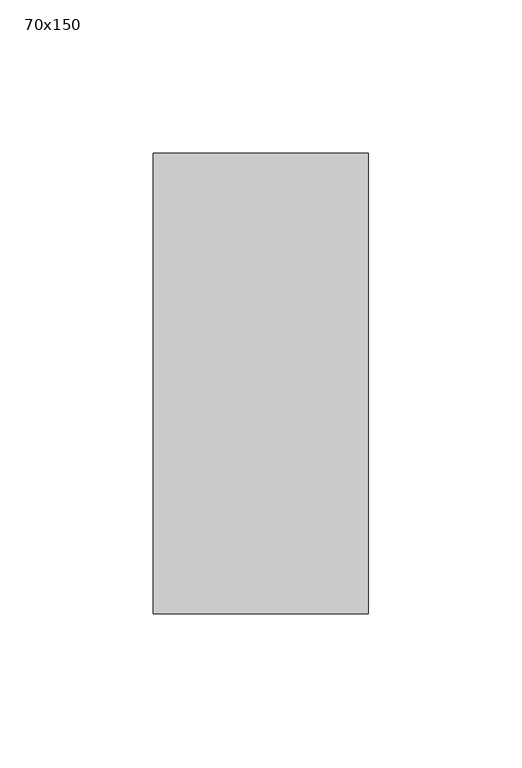
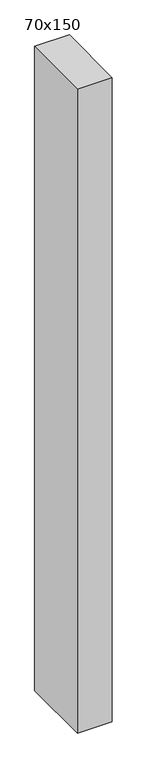
"""IFC4 building model written with IfcOpenShell, lengths in millimetres: member geometry, 70x150."""

import ifcopenshell
import ifcopenshell.guid

model = None  # the IFC model being written
_history = None  # IfcOwnerHistory: only IFC2X3 demands one
_inside = {}  # id of a spatial element -> (the spatial element, [elements in it])
_under = {}  # id of a project, library or spatial element -> (it, [spatial elements below it])
_declared = {}  # id of a project -> (the project, [libraries it declares])
_typed = {}  # id of a type object -> (the type object, [elements of that type])
_made_of = {}  # id of a material, layer set ... -> (it, [elements and type objects made of it])


def new_model(schema):
    """Start an empty IFC model of exactly this schema.

    Asked for "IFC4X3", IfcOpenShell would pick the latest addendum, in which some entities
    have other attributes; the version numbers below select the first issue.
    IFC2X3 requires an IfcOwnerHistory on every rooted entity: one is made here for all.
    """
    global model, _history
    if schema == "IFC4X3":
        model = ifcopenshell.file(schema_version=(4, 3, 0, 0))
    else:
        model = ifcopenshell.file(schema=schema)
    _inside.clear()
    _under.clear()
    _declared.clear()
    _typed.clear()
    _made_of.clear()
    _history = None
    if model.schema == "IFC2X3":
        org = make("IfcOrganization", Name="unknown")
        user = make(
            "IfcPersonAndOrganization",
            ThePerson=make("IfcPerson", FamilyName="unknown"),
            TheOrganization=org,
        )
        app = make(
            "IfcApplication",
            ApplicationDeveloper=org,
            Version="unknown",
            ApplicationFullName="unknown",
            ApplicationIdentifier="unknown",
        )
        _history = make(
            "IfcOwnerHistory",
            OwningUser=user,
            OwningApplication=app,
            ChangeAction="ADDED",
            CreationDate=0,
        )
    return model


def make(cls, **values):
    """One entity of the class cls with the attributes given. An attribute that is None is left unset."""
    return model.create_entity(
        cls, **{name: value for name, value in values.items() if value is not None}
    )


def rooted(cls, **values):
    """An entity with a GlobalId (a new one), such as an element, a storey or a relation."""
    return make(cls, GlobalId=ifcopenshell.guid.new(), OwnerHistory=_history, **values)


def si_unit(unit_type, name, prefix=None):
    """IfcSIUnit, for example si_unit("LENGTHUNIT", "METRE", prefix="MILLI")."""
    return make("IfcSIUnit", UnitType=unit_type, Prefix=prefix, Name=name)


def assignment(units):
    """IfcUnitAssignment: the units of a project."""
    return None if units is None else make("IfcUnitAssignment", Units=units)


def point(xyz):
    """IfcCartesianPoint."""
    return None if xyz is None else make("IfcCartesianPoint", Coordinates=xyz)


def direction(xyz):
    """IfcDirection."""
    return None if xyz is None else make("IfcDirection", DirectionRatios=xyz)


def frame(location, z_axis=None, x_axis=None):
    """IfcAxis2Placement3D, a coordinate frame: its origin and axes. An axis left out is left unset."""
    return make(
        "IfcAxis2Placement3D",
        Location=point(location),
        Axis=direction(z_axis),
        RefDirection=direction(x_axis),
    )


def origin():
    """The frame at (0, 0, 0) with its axes left unset."""
    return frame((0.0, 0.0, 0.0))


def place(relative_to, where):
    """IfcLocalPlacement: puts the frame where relative to a parent placement (None: the world)."""
    return make(
        "IfcLocalPlacement", PlacementRelTo=relative_to, RelativePlacement=where
    )


def context(
    kind, dimensions, precision=None, world=None, true_north=None, identifier=None
):
    """IfcGeometricRepresentationContext, for example the 3D "Model" context."""
    return make(
        "IfcGeometricRepresentationContext",
        ContextIdentifier=identifier,
        ContextType=kind,
        CoordinateSpaceDimension=dimensions,
        Precision=precision,
        WorldCoordinateSystem=world,
        TrueNorth=true_north,
    )


def project(units=None, contexts=None):
    """IfcProject with its units and contexts."""
    return rooted(
        "IfcProject",
        Name="project",
        RepresentationContexts=contexts,
        UnitsInContext=assignment(units),
    )


def spatial(cls, under=None, at=None, **own):
    """A site, building, storey or space (cls), placed at a placement, below another one or the project."""
    s = rooted(cls, ObjectPlacement=at, **own)
    if under is not None:
        _under.setdefault(under.id(), (under, []))[1].append(s)
    return s


def polyline(points):
    """IfcPolyline through the points."""
    return make("IfcPolyline", Points=[point(p) for p in points])


def outline(outer, holes=None, kind="AREA"):
    """IfcArbitraryClosedProfileDef: a profile drawn as a closed curve; with holes, ...WithVoids."""
    if holes is None:
        return make("IfcArbitraryClosedProfileDef", ProfileType=kind, OuterCurve=outer)
    return make(
        "IfcArbitraryProfileDefWithVoids",
        ProfileType=kind,
        OuterCurve=outer,
        InnerCurves=holes,
    )


def extrude(swept, where, along, depth):
    """IfcExtrudedAreaSolid: the profile swept, set in the frame where, extruded along a direction by depth."""
    return make(
        "IfcExtrudedAreaSolid",
        SweptArea=swept,
        Position=where,
        ExtrudedDirection=direction(along),
        Depth=depth,
    )


def shape(context_of_items, identifier, shape_type, items):
    """IfcShapeRepresentation: the items that make up one representation, for example the "Body"."""
    return make(
        "IfcShapeRepresentation",
        ContextOfItems=context_of_items,
        RepresentationIdentifier=identifier,
        RepresentationType=shape_type,
        Items=items,
    )


def source(mapping_origin, context_of_items, identifier, shape_type, items):
    """IfcRepresentationMap: a shape defined once, which mapped items show again and again."""
    return make(
        "IfcRepresentationMap",
        MappingOrigin=mapping_origin,
        MappedRepresentation=shape(context_of_items, identifier, shape_type, items),
    )


def transform(
    local_origin,
    x_axis=None,
    y_axis=None,
    z_axis=None,
    scale=None,
    scale2=None,
    scale3=None,
    uniform=True,
):
    """IfcCartesianTransformationOperator3D, or its non-uniform kind. x_axis, y_axis, z_axis: its Axis1, 2, 3."""
    if uniform:
        return make(
            "IfcCartesianTransformationOperator3D",
            Axis1=direction(x_axis),
            Axis2=direction(y_axis),
            LocalOrigin=point(local_origin),
            Scale=scale,
            Axis3=direction(z_axis),
        )
    return make(
        "IfcCartesianTransformationOperator3DnonUniform",
        Axis1=direction(x_axis),
        Axis2=direction(y_axis),
        LocalOrigin=point(local_origin),
        Scale=scale,
        Axis3=direction(z_axis),
        Scale2=scale2,
        Scale3=scale3,
    )


def mapped(mapping_source, mapping_target):
    """IfcMappedItem: shows the shape of a source again, moved by a transform."""
    return make(
        "IfcMappedItem", MappingSource=mapping_source, MappingTarget=mapping_target
    )


def made_of(thing, what):
    """Note that an element or type object is made of a material, layer set ...; save() writes the relation."""
    if what is not None:
        _made_of.setdefault(what.id(), (what, []))[1].append(thing)
    return thing


def element(
    cls,
    number,
    at=None,
    inside=None,
    cuts=None,
    type_object=None,
    material=None,
    context=None,
    identifier="Body",
    shape_type=None,
    held_by="IfcProductDefinitionShape",
    body=None,
    shapes=None,
    **own,
):
    """One element of the class cls, such as IfcWall. Its Tag is "e" and its number.

    at: its placement. inside: the storey or other place that contains it. cuts: it is an
    opening in that element (IfcRelVoidsElement). A single representation is given by context,
    identifier, shape_type and body (its items); several are given by shapes. held_by: the class
    of the entity that holds the representations. save() writes the other relations.
    """
    e = rooted(cls, Tag="e%d" % number, ObjectPlacement=at, **own)
    if body is not None:
        shapes = [shape(context, identifier, shape_type, body)]
    if shapes is not None:
        e.Representation = make(held_by, Representations=shapes)
    if inside is not None:
        _inside.setdefault(inside.id(), (inside, []))[1].append(e)
    if cuts is not None:
        rooted(
            "IfcRelVoidsElement", RelatingBuildingElement=cuts, RelatedOpeningElement=e
        )
    if type_object is not None:
        _typed.setdefault(type_object.id(), (type_object, []))[1].append(e)
    return made_of(e, material)


def aggregate(whole, parts):
    """IfcRelAggregates: a whole, such as a stair, and the parts it consists of."""
    return rooted("IfcRelAggregates", RelatingObject=whole, RelatedObjects=parts)


def save(model, path):
    """Write the relations noted so far, then the file.

    IfcRelAggregates (storeys below a building ...), IfcRelContainedInSpatialStructure (elements
    in a storey), IfcRelDefinesByType, IfcRelAssociatesMaterial and IfcRelDeclares: one each for
    every whole, place, type object, material and project.
    """
    for whole, parts in _under.values():
        aggregate(whole, parts)
    for where, things in _inside.values():
        rooted(
            "IfcRelContainedInSpatialStructure",
            RelatedElements=things,
            RelatingStructure=where,
        )
    for kind, things in _typed.values():
        rooted("IfcRelDefinesByType", RelatedObjects=things, RelatingType=kind)
    for what, things in _made_of.values():
        rooted("IfcRelAssociatesMaterial", RelatedObjects=things, RelatingMaterial=what)
    for by, libraries in _declared.values():
        rooted("IfcRelDeclares", RelatingContext=by, RelatedDefinitions=libraries)
    model.write(path)


def member_70x150_4811c8ea(model_context):
    return source(origin(), model_context, "Body", "SweptSolid", [
        extrude(outline(polyline([(-75.0, -0.5571557), (75.0, 0.5571557), (75.0, -1376.3360336), (-75.0, -1376.3360336), (-75.0, -0.5571557)])), frame((-35.0, 0.0, 0.0), z_axis=(1.0, 0.0, 0.0), x_axis=(0.0, 1.0, 0.0)), (0.0, 0.0, 1.0), 70.0),
    ])


if __name__ == "__main__":
    model = new_model("IFC4")
    model_context = context("Model", 3, world=origin())
    ifc_project = project(units=[si_unit("LENGTHUNIT", "METRE", prefix="MILLI")], contexts=[model_context])
    site = spatial("IfcSite", under=ifc_project)
    building = spatial("IfcBuilding", under=site)
    placement = place(None, origin())
    member_70x150_shape = member_70x150_4811c8ea(model_context)
    element("IfcMember", 1, ObjectType="70x150", at=placement, inside=building, context=model_context, shape_type="MappedRepresentation", body=[
        mapped(member_70x150_shape, transform((0.0, 0.0, 0.0), x_axis=(1.0, 0.0, 0.0), y_axis=(0.0, 1.0, 0.0), z_axis=(0.0, 0.0, 1.0))),
    ])
    save(model, "model.ifc")
